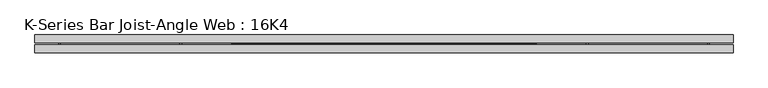
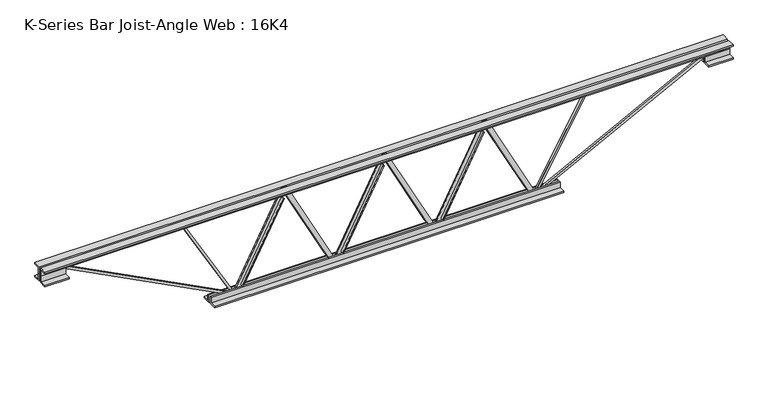
"""IFC4 building model written with IfcOpenShell, lengths in millimetres: beam geometry, K-Series Bar Joist-Angle Web : 16K4."""

from ifc_helpers import new_model, si_unit, frame, origin, place, context, project, spatial, polyline, outline, extrude, faceted_brep, source, transform, mapped, element, save


def k_series_bar_joist_angle_web_16k4_b4a21ab8(model_context):
    return source(origin(), model_context, "Body", "SolidModel", [
        extrude(outline(polyline([(-4.7625, 4.7625), (-4.7625, 0.0), (-17.4625, 0.0), (-17.4625, 4.7625), (-4.7625, 4.7625)])), frame((179.8399037, 0.0, -165.1), z_axis=(-0.45998645748866, 0.0, 0.88792593099145), x_axis=(0.0, -1.0, 0.0)), (0.0, 0.0, 1.0), 371.8778656),
        extrude(outline(polyline([(-200.025, 210.0755177), (-180.975, 210.0755177), (-180.975, 209.5183759), (200.025, 12.1428582), (200.025, -6.35), (180.975, -6.35), (180.975, 0.5571418), (-200.025, 197.9326595), (-200.025, 210.0755177)])), frame((0.0, 0.0, 0.0), z_axis=(0.0, 1.0, 0.0), x_axis=(0.0, 0.0, 1.0)), (0.0, 0.0, 1.0), 4.7625),
        faceted_brep([(-210.0755177, 0.0, -180.975), (-210.0755177, 0.0, -200.025), (-210.0755177, -4.7625, -200.025), (-210.0755177, -4.7625, -180.975), (-209.5183759, 0.0, -180.975), (-12.1428582, 0.0, 200.025), (6.35, 0.0, 200.025), (6.35, 0.0, 180.975), (-0.5571418, 0.0, 180.975), (-197.9326595, 0.0, -200.025), (-197.9326595, -4.7625, -200.025), (-179.8399037, -4.7625, -165.1), (-184.068651, -4.7625, -162.9093145), (-13.009869, -4.7625, 167.2906855), (-8.7811217, -4.7625, 165.1), (-0.5571418, -4.7625, 180.975), (6.35, -4.7625, 180.975), (6.35, -4.7625, 200.025), (-12.1428582, -4.7625, 200.025), (-209.5183759, -4.7625, -180.975), (-8.7811217, -17.4625, 165.1), (-179.8399037, -17.4625, -165.1), (-184.068651, -17.4625, -162.9093145), (-13.009869, -17.4625, 167.2906855)], [[[0, 1, 2, 3]], [[1, 0, 4, 5, 6, 7, 8, 9]], [[2, 1, 9, 10]], [[3, 2, 10, 11, 12, 13, 14, 15, 16, 17, 18, 19]], [[0, 3, 19, 4]], [[9, 8, 15, 14, 20, 21, 11, 10]], [[5, 4, 19, 18]], [[7, 6, 17, 16]], [[8, 7, 16, 15]], [[6, 5, 18, 17]], [[21, 22, 12, 11]], [[20, 14, 13, 23]], [[22, 21, 20, 23]], [[12, 22, 23, 13]]]),
        extrude(outline(polyline([(-4.7625, 4.7625), (-4.7625, 0.0), (-17.4625, 0.0), (-17.4625, 4.7625), (-4.7625, 4.7625)])), frame((599.9909391, 0.0, -165.1), z_axis=(-0.45998645748866, 0.0, 0.88792593099145), x_axis=(0.0, -1.0, 0.0)), (0.0, 0.0, 1.0), 371.8778656),
        extrude(outline(polyline([(-200.025, 630.2265531), (-180.975, 630.2265531), (-180.975, 629.6694113), (200.025, 432.2938936), (200.025, 413.8010354), (180.975, 413.8010354), (180.975, 420.7081772), (-200.025, 618.0836949), (-200.025, 630.2265531)])), frame((0.0, 0.0, 0.0), z_axis=(0.0, 1.0, 0.0), x_axis=(0.0, 0.0, 1.0)), (0.0, 0.0, 1.0), 4.7625),
        faceted_brep([(210.0755177, 0.0, -180.975), (210.0755177, 0.0, -200.025), (210.0755177, -4.7625, -200.025), (210.0755177, -4.7625, -180.975), (210.6326595, 0.0, -180.975), (408.0081772, 0.0, 200.025), (426.5010354, 0.0, 200.025), (426.5010354, 0.0, 180.975), (419.5938936, 0.0, 180.975), (222.2183759, 0.0, -200.025), (222.2183759, -4.7625, -200.025), (240.3111317, -4.7625, -165.1), (236.0823844, -4.7625, -162.9093145), (407.1411664, -4.7625, 167.2906855), (411.3699137, -4.7625, 165.1), (419.5938936, -4.7625, 180.975), (426.5010354, -4.7625, 180.975), (426.5010354, -4.7625, 200.025), (408.0081772, -4.7625, 200.025), (210.6326595, -4.7625, -180.975), (411.3699137, -17.4625, 165.1), (240.3111317, -17.4625, -165.1), (236.0823844, -17.4625, -162.9093145), (407.1411664, -17.4625, 167.2906855)], [[[0, 1, 2, 3]], [[1, 0, 4, 5, 6, 7, 8, 9]], [[2, 1, 9, 10]], [[3, 2, 10, 11, 12, 13, 14, 15, 16, 17, 18, 19]], [[0, 3, 19, 4]], [[9, 8, 15, 14, 20, 21, 11, 10]], [[5, 4, 19, 18]], [[7, 6, 17, 16]], [[8, 7, 16, 15]], [[6, 5, 18, 17]], [[21, 22, 12, 11]], [[20, 14, 13, 23]], [[22, 21, 20, 23]], [[12, 22, 23, 13]]]),
        extrude(outline(polyline([(-4.7625, 4.7625), (-4.7625, 0.0), (-17.4625, 0.0), (-17.4625, 4.7625), (-4.7625, 4.7625)])), frame((-240.3111317, 0.0, -165.1), z_axis=(-0.45998645748866, 0.0, 0.88792593099145), x_axis=(0.0, -1.0, 0.0)), (0.0, 0.0, 1.0), 371.8778656),
        extrude(outline(polyline([(-200.025, -210.0755177), (-180.975, -210.0755177), (-180.975, -210.6326595), (200.025, -408.0081772), (200.025, -426.5010354), (180.975, -426.5010354), (180.975, -419.5938936), (-200.025, -222.2183759), (-200.025, -210.0755177)])), frame((0.0, 0.0, 0.0), z_axis=(0.0, 1.0, 0.0), x_axis=(0.0, 0.0, 1.0)), (0.0, 0.0, 1.0), 4.7625),
        faceted_brep([(-630.2265531, 0.0, -180.975), (-630.2265531, 0.0, -200.025), (-630.2265531, -4.7625, -200.025), (-630.2265531, -4.7625, -180.975), (-629.6694113, 0.0, -180.975), (-432.2938936, 0.0, 200.025), (-413.8010354, 0.0, 200.025), (-413.8010354, 0.0, 180.975), (-420.7081772, 0.0, 180.975), (-618.0836949, 0.0, -200.025), (-618.0836949, -4.7625, -200.025), (-599.9909391, -4.7625, -165.1), (-604.2196864, -4.7625, -162.9093145), (-433.1609044, -4.7625, 167.2906855), (-428.9321571, -4.7625, 165.1), (-420.7081772, -4.7625, 180.975), (-413.8010354, -4.7625, 180.975), (-413.8010354, -4.7625, 200.025), (-432.2938936, -4.7625, 200.025), (-629.6694113, -4.7625, -180.975), (-428.9321571, -17.4625, 165.1), (-599.9909391, -17.4625, -165.1), (-604.2196864, -17.4625, -162.9093145), (-433.1609044, -17.4625, 167.2906855)], [[[0, 1, 2, 3]], [[1, 0, 4, 5, 6, 7, 8, 9]], [[2, 1, 9, 10]], [[3, 2, 10, 11, 12, 13, 14, 15, 16, 17, 18, 19]], [[0, 3, 19, 4]], [[9, 8, 15, 14, 20, 21, 11, 10]], [[5, 4, 19, 18]], [[7, 6, 17, 16]], [[8, 7, 16, 15]], [[6, 5, 18, 17]], [[21, 22, 12, 11]], [[20, 14, 13, 23]], [[22, 21, 20, 23]], [[12, 22, 23, 13]]]),
        extrude(outline(polyline([(4.7625, 203.2), (36.5125, 203.2), (36.5125, 196.85), (11.1125, 196.85), (11.1125, 171.45), (4.7625, 171.45), (4.7625, 203.2)])), frame((-1443.0265531, 0.0, 0.0), z_axis=(1.0, 0.0, 0.0), x_axis=(0.0, 1.0, 0.0)), (0.0, 0.0, 1.0), 2886.0531062),
        extrude(outline(polyline([(-4.7625, 203.2), (-4.7625, 171.45), (-11.1125, 171.45), (-11.1125, 196.85), (-36.5125, 196.85), (-36.5125, 203.2), (-4.7625, 203.2)])), frame((-1443.0265531, 0.0, 0.0), z_axis=(1.0, 0.0, 0.0), x_axis=(0.0, 1.0, 0.0)), (0.0, 0.0, 1.0), 2886.0531062),
        extrude(outline(polyline([(-4.7625, 139.7), (-36.5125, 139.7), (-36.5125, 146.05), (-11.1125, 146.05), (-11.1125, 171.45), (-4.7625, 171.45), (-4.7625, 139.7)])), frame((-1443.0265531, 0.0, 0.0), z_axis=(1.0, 0.0, 0.0), x_axis=(0.0, 1.0, 0.0)), (0.0, 0.0, 1.0), 101.6),
        extrude(outline(polyline([(36.5125, 139.7), (4.7625, 139.7), (4.7625, 171.45), (11.1125, 171.45), (11.1125, 146.05), (36.5125, 146.05), (36.5125, 139.7)])), frame((-1443.0265531, 0.0, 0.0), z_axis=(1.0, 0.0, 0.0), x_axis=(0.0, 1.0, 0.0)), (0.0, 0.0, 1.0), 101.6),
        extrude(outline(polyline([(4.7625, 139.7), (4.7625, 171.45), (11.1125, 171.45), (11.1125, 146.05), (36.5125, 146.05), (36.5125, 139.7), (4.7625, 139.7)])), frame((1341.4265531, 0.0, 0.0), z_axis=(1.0, 0.0, 0.0), x_axis=(0.0, 1.0, 0.0)), (0.0, 0.0, 1.0), 101.6),
        extrude(outline(polyline([(-4.7625, 139.7), (-36.5125, 139.7), (-36.5125, 146.05), (-11.1125, 146.05), (-11.1125, 171.45), (-4.7625, 171.45), (-4.7625, 139.7)])), frame((1341.4265531, 0.0, 0.0), z_axis=(1.0, 0.0, 0.0), x_axis=(0.0, 1.0, 0.0)), (0.0, 0.0, 1.0), 101.6),
        extrude(outline(polyline([(4.7625, -203.2), (4.7625, -171.45), (11.1125, -171.45), (11.1125, -196.85), (36.5125, -196.85), (36.5125, -203.2), (4.7625, -203.2)])), frame((-731.8265531, 0.0, 0.0), z_axis=(1.0, 0.0, 0.0), x_axis=(0.0, 1.0, 0.0)), (0.0, 0.0, 1.0), 1463.6531062),
        extrude(outline(polyline([(-4.7625, -203.2), (-36.5125, -203.2), (-36.5125, -196.85), (-11.1125, -196.85), (-11.1125, -171.45), (-4.7625, -171.45), (-4.7625, -203.2)])), frame((-731.8265531, 0.0, 0.0), z_axis=(1.0, 0.0, 0.0), x_axis=(0.0, 1.0, 0.0)), (0.0, 0.0, 1.0), 1463.6531062),
        extrude(outline(polyline([(4.7625, 4.7625), (4.7625, -4.7625), (-4.7625, -4.7625), (-4.7625, 4.7625), (4.7625, 4.7625)])), frame((630.2265531, 0.0, -196.85), z_axis=(0.4954602817424392, 0.0, 0.8686305942204101), x_axis=(0.0, -1.0, 0.0)), (0.0, 0.0, 1.0), 424.000723),
        extrude(outline(polyline([(4.7625, 4.7625), (4.7625, -4.7625), (-4.7625, -4.7625), (-4.7625, 4.7625), (4.7625, 4.7625)])), frame((-630.2265531, 0.0, -196.85), z_axis=(-0.49546028174240503, 0.0, 0.8686305942204297), x_axis=(0.0, -1.0, 0.0)), (0.0, 0.0, 1.0), 424.000723),
        extrude(outline(polyline([(0.0, -9.525), (0.0, 0.0), (800.9059433, 0.0), (800.9059433, -9.525), (0.0, -9.525)])), frame((1343.6166089, -4.7625, 167.2209266), z_axis=(-0.4598542476610153, 0.0, 0.8879944092775144), x_axis=(-0.8879944092775144, 0.0, -0.4598542476610153)), (0.0, 0.0, 1.0), 9.525),
        extrude(outline(polyline([(0.0, -9.525), (0.0, 0.0), (800.9059433, 0.0), (800.9059433, -9.525), (0.0, -9.525)])), frame((-1343.6166089, 4.7625, 167.2209266), z_axis=(0.45985424766101224, 0.0, 0.8879944092775159), x_axis=(0.8879944092775159, 0.0, -0.45985424766101224)), (0.0, 0.0, 1.0), 9.525),
    ])


if __name__ == "__main__":
    model = new_model("IFC4")
    model_context = context("Model", 3, world=origin())
    ifc_project = project(units=[si_unit("LENGTHUNIT", "METRE", prefix="MILLI")], contexts=[model_context])
    site = spatial("IfcSite", under=ifc_project)
    building = spatial("IfcBuilding", under=site)
    placement = place(None, origin())
    k_series_bar_joist_angle_web_16k4_shape = k_series_bar_joist_angle_web_16k4_b4a21ab8(model_context)
    element("IfcBeam", 1, ObjectType="K-Series Bar Joist-Angle Web : 16K4", at=placement, inside=building, context=model_context, shape_type="MappedRepresentation", body=[
        mapped(k_series_bar_joist_angle_web_16k4_shape, transform((0.0, 0.0, 0.0), x_axis=(1.0, 0.0, 0.0), y_axis=(0.0, 1.0, 0.0), z_axis=(0.0, 0.0, 1.0))),
    ])
    save(model, "model.ifc")
